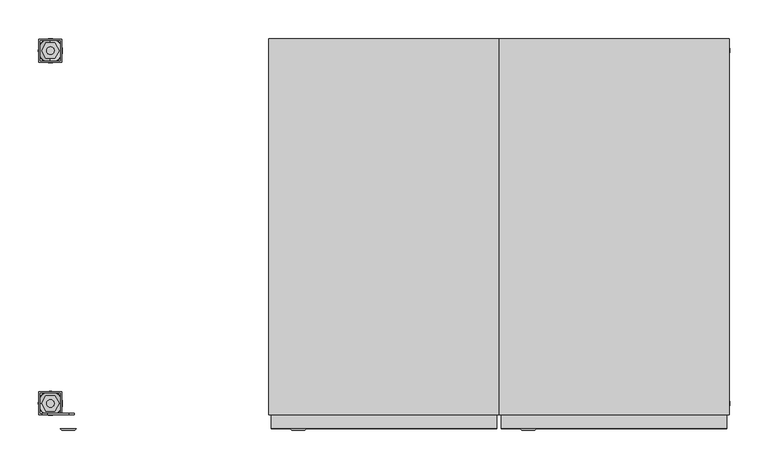
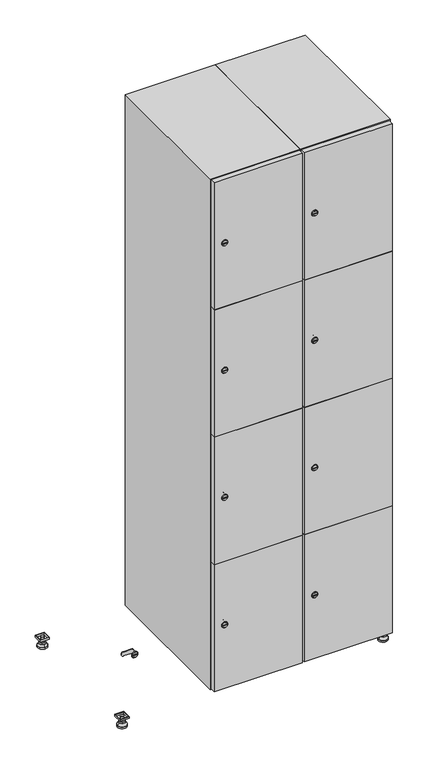
"""IFC4 building model written with IfcOpenShell, lengths in millimetres: furniture geometry."""

from ifc_helpers import new_model, si_unit, point, frame, frame_2d, origin, origin_with_axes, place, context, project, spatial, polyline, circle_curve, trimmed, segment, composite_curve, outline, extrude, faceted_brep, source, transform, mapped, element, save
from ifc_brep_helpers import plane_surface, revolved_surface, advanced_brep


def furniture_9e4fae3b(model_context):
    return source(origin(), model_context, "Body", "SolidModel", [
        extrude(outline(polyline([(700.0, 245.0), (700.0, 215.0), (670.0, 215.0), (670.0, 245.0), (700.0, 245.0)]), holes=[polyline([(698.0, 243.0), (672.0, 243.0), (672.0, 217.0), (698.0, 217.0), (698.0, 243.0)])]), frame((0.0, 0.0, 28.5), z_axis=(0.0, 0.0, 1.0), x_axis=(1.0, 0.0, 0.0)), (0.0, 0.0, 1.0), 6.5),
        extrude(outline(polyline([(670.0, -245.0), (670.0, -215.0), (700.0, -215.0), (700.0, -245.0), (670.0, -245.0)]), holes=[polyline([(672.0, -243.0), (698.0, -243.0), (698.0, -217.0), (672.0, -217.0), (672.0, -243.0)])]), frame((0.0, 0.0, 28.5), z_axis=(0.0, 0.0, 1.0), x_axis=(1.0, 0.0, 0.0)), (0.0, 0.0, 1.0), 6.5),
        extrude(outline(polyline([(-170.0, 245.0), (-170.0, 215.0), (-200.0, 215.0), (-200.0, 245.0), (-170.0, 245.0)]), holes=[polyline([(-172.0, 243.0), (-198.0, 243.0), (-198.0, 217.0), (-172.0, 217.0), (-172.0, 243.0)])]), frame((0.0, 0.0, 28.5), z_axis=(0.0, 0.0, 1.0), x_axis=(1.0, 0.0, 0.0)), (0.0, 0.0, 1.0), 6.5),
        extrude(outline(polyline([(-170.0, -215.0), (-170.0, -245.0), (-200.0, -245.0), (-200.0, -215.0), (-170.0, -215.0)]), holes=[polyline([(-198.0, -243.0), (-172.0, -243.0), (-172.0, -217.0), (-198.0, -217.0), (-198.0, -243.0)])]), frame((0.0, 0.0, 28.5), z_axis=(0.0, 0.0, 1.0), x_axis=(1.0, 0.0, 0.0)), (0.0, 0.0, 1.0), 6.5),
        extrude(outline(composite_curve([segment(trimmed(circle_curve(frame_2d((-185.0, 230.0)), 5.0), [point((-180.0, 230.0))], [point((-190.0, 230.0))], False, "CARTESIAN"), True, "CONTINUOUS"), segment(trimmed(circle_curve(frame_2d((-185.0, 230.0)), 5.0), [point((-190.0, 230.0))], [point((-180.0, 230.0))], False, "CARTESIAN"), True, "CONTINUOUS")], self_intersect=False)), frame((0.0, 0.0, 19.6), z_axis=(0.0, 0.0, 1.0), x_axis=(1.0, 0.0, 0.0)), (0.0, 0.0, 1.0), 15.4),
        extrude(outline(composite_curve([segment(trimmed(circle_curve(frame_2d((-185.0, -230.0)), 5.0), [point((-180.0, -230.0))], [point((-190.0, -230.0))], False, "CARTESIAN"), True, "CONTINUOUS"), segment(trimmed(circle_curve(frame_2d((-185.0, -230.0)), 5.0), [point((-190.0, -230.0))], [point((-180.0, -230.0))], False, "CARTESIAN"), True, "CONTINUOUS")], self_intersect=False)), frame((0.0, 0.0, 19.6), z_axis=(0.0, 0.0, 1.0), x_axis=(1.0, 0.0, 0.0)), (0.0, 0.0, 1.0), 15.4),
        extrude(outline(composite_curve([segment(trimmed(circle_curve(frame_2d((685.0, 230.0)), 5.0), [point((690.0, 230.0))], [point((680.0, 230.0))], False, "CARTESIAN"), True, "CONTINUOUS"), segment(trimmed(circle_curve(frame_2d((685.0, 230.0)), 5.0), [point((680.0, 230.0))], [point((690.0, 230.0))], False, "CARTESIAN"), True, "CONTINUOUS")], self_intersect=False)), frame((0.0, 0.0, 19.6), z_axis=(0.0, 0.0, 1.0), x_axis=(1.0, 0.0, 0.0)), (0.0, 0.0, 1.0), 15.4),
        extrude(outline(polyline([(673.4529946, 230.0), (679.2264973, 240.0), (690.7735027, 240.0), (696.5470054, 230.0), (690.7735027, 220.0), (679.2264973, 220.0), (673.4529946, 230.0)])), frame((0.0, 0.0, 13.6), z_axis=(0.0, 0.0, 1.0), x_axis=(1.0, 0.0, 0.0)), (0.0, 0.0, 1.0), 6.0),
        extrude(outline(composite_curve([segment(trimmed(circle_curve(frame_2d((685.0, -230.0)), 5.0), [point((690.0, -230.0))], [point((680.0, -230.0))], False, "CARTESIAN"), True, "CONTINUOUS"), segment(trimmed(circle_curve(frame_2d((685.0, -230.0)), 5.0), [point((680.0, -230.0))], [point((690.0, -230.0))], False, "CARTESIAN"), True, "CONTINUOUS")], self_intersect=False)), frame((0.0, 0.0, 19.6), z_axis=(0.0, 0.0, 1.0), x_axis=(1.0, 0.0, 0.0)), (0.0, 0.0, 1.0), 15.4),
        extrude(outline(polyline([(673.4529946, -230.0), (679.2264973, -220.0), (690.7735027, -220.0), (696.5470054, -230.0), (690.7735027, -240.0), (679.2264973, -240.0), (673.4529946, -230.0)])), frame((0.0, 0.0, 13.6), z_axis=(0.0, 0.0, 1.0), x_axis=(1.0, 0.0, 0.0)), (0.0, 0.0, 1.0), 6.0),
        extrude(outline(composite_curve([segment(trimmed(circle_curve(frame_2d((685.0, 230.0)), 5.0), [point((690.0, 230.0))], [point((680.0, 230.0))], False, "CARTESIAN"), True, "CONTINUOUS"), segment(trimmed(circle_curve(frame_2d((685.0, 230.0)), 5.0), [point((680.0, 230.0))], [point((690.0, 230.0))], False, "CARTESIAN"), True, "CONTINUOUS")], self_intersect=False)), frame((0.0, 0.0, 12.1), z_axis=(0.0, 0.0, 1.0), x_axis=(1.0, 0.0, 0.0)), (0.0, 0.0, 1.0), 1.5),
        extrude(outline(composite_curve([segment(trimmed(circle_curve(frame_2d((685.0, -230.0)), 5.0), [point((690.0, -230.0))], [point((680.0, -230.0))], False, "CARTESIAN"), True, "CONTINUOUS"), segment(trimmed(circle_curve(frame_2d((685.0, -230.0)), 5.0), [point((680.0, -230.0))], [point((690.0, -230.0))], False, "CARTESIAN"), True, "CONTINUOUS")], self_intersect=False)), frame((0.0, 0.0, 12.1), z_axis=(0.0, 0.0, 1.0), x_axis=(1.0, 0.0, 0.0)), (0.0, 0.0, 1.0), 1.5),
        extrude(outline(polyline([(-196.5470054, 230.0), (-190.7735027, 240.0), (-179.2264973, 240.0), (-173.4529946, 230.0), (-179.2264973, 220.0), (-190.7735027, 220.0), (-196.5470054, 230.0)])), frame((0.0, 0.0, 13.6), z_axis=(0.0, 0.0, 1.0), x_axis=(1.0, 0.0, 0.0)), (0.0, 0.0, 1.0), 6.0),
        extrude(outline(polyline([(-196.5470054, -230.0), (-190.7735027, -220.0), (-179.2264973, -220.0), (-173.4529946, -230.0), (-179.2264973, -240.0), (-190.7735027, -240.0), (-196.5470054, -230.0)])), frame((0.0, 0.0, 13.6), z_axis=(0.0, 0.0, 1.0), x_axis=(1.0, 0.0, 0.0)), (0.0, 0.0, 1.0), 6.0),
        extrude(outline(composite_curve([segment(trimmed(circle_curve(frame_2d((-185.0, 230.0)), 5.0), [point((-185.0, 235.0))], [point((-185.0, 225.0))], False, "CARTESIAN"), True, "CONTINUOUS"), segment(trimmed(circle_curve(frame_2d((-185.0, 230.0)), 5.0), [point((-185.0, 225.0))], [point((-185.0, 235.0))], False, "CARTESIAN"), True, "CONTINUOUS")], self_intersect=False)), frame((0.0, 0.0, 12.1), z_axis=(0.0, 0.0, 1.0), x_axis=(1.0, 0.0, 0.0)), (0.0, 0.0, 1.0), 1.5),
        extrude(outline(composite_curve([segment(trimmed(circle_curve(frame_2d((-185.0, -230.0)), 5.0), [point((-180.0, -230.0))], [point((-190.0, -230.0))], False, "CARTESIAN"), True, "CONTINUOUS"), segment(trimmed(circle_curve(frame_2d((-185.0, -230.0)), 5.0), [point((-190.0, -230.0))], [point((-180.0, -230.0))], False, "CARTESIAN"), True, "CONTINUOUS")], self_intersect=False)), frame((0.0, 0.0, 12.1), z_axis=(0.0, 0.0, 1.0), x_axis=(1.0, 0.0, 0.0)), (0.0, 0.0, 1.0), 1.5),
        extrude(outline(composite_curve([segment(trimmed(circle_curve(frame_2d((685.0, 230.0)), 15.75), [point((700.75, 230.0))], [point((669.25, 230.0))], False, "CARTESIAN"), True, "CONTINUOUS"), segment(trimmed(circle_curve(frame_2d((685.0, 230.0)), 15.75), [point((669.25, 230.0))], [point((700.75, 230.0))], False, "CARTESIAN"), True, "CONTINUOUS")], self_intersect=False)), origin_with_axes(), (0.0, 0.0, 1.0), 5.1),
        extrude(outline(composite_curve([segment(trimmed(circle_curve(frame_2d((685.0, -230.0)), 15.75), [point((685.0, -214.25))], [point((685.0, -245.75))], False, "CARTESIAN"), True, "CONTINUOUS"), segment(trimmed(circle_curve(frame_2d((685.0, -230.0)), 15.75), [point((685.0, -245.75))], [point((685.0, -214.25))], False, "CARTESIAN"), True, "CONTINUOUS")], self_intersect=False)), origin_with_axes(), (0.0, 0.0, 1.0), 5.1),
        extrude(outline(composite_curve([segment(trimmed(circle_curve(frame_2d((-185.0, -230.0)), 15.75), [point((-169.25, -230.0))], [point((-200.75, -230.0))], False, "CARTESIAN"), True, "CONTINUOUS"), segment(trimmed(circle_curve(frame_2d((-185.0, -230.0)), 15.75), [point((-200.75, -230.0))], [point((-169.25, -230.0))], False, "CARTESIAN"), True, "CONTINUOUS")], self_intersect=False)), origin_with_axes(), (0.0, 0.0, 1.0), 5.1),
        extrude(outline(composite_curve([segment(trimmed(circle_curve(frame_2d((-185.0, 230.0)), 15.75), [point((-169.25, 230.0))], [point((-200.75, 230.0))], False, "CARTESIAN"), True, "CONTINUOUS"), segment(trimmed(circle_curve(frame_2d((-185.0, 230.0)), 15.75), [point((-200.75, 230.0))], [point((-169.25, 230.0))], False, "CARTESIAN"), True, "CONTINUOUS")], self_intersect=False)), origin_with_axes(), (0.0, 0.0, 1.0), 5.1),
        advanced_brep(
        [(-185.0, 239.5, 12.1), (-185.0, 220.5, 12.1), (-185.0, 214.25, 5.1), (-185.0, 245.75, 5.1)],
        [
            (0, 1, circle_curve(frame((-185.0, 230.0, 12.1), z_axis=(0.0, 0.0, -1.0), x_axis=(0.0, 1.0, 0.0)), 9.5)),
            (1, 2),
            (2, 3, circle_curve(frame((-185.0, 230.0, 5.1), z_axis=(0.0, 0.0, 1.0), x_axis=(0.0, 1.0, 0.0)), 15.75)),
            (3, 0),
            (1, 0, circle_curve(frame((-185.0, 230.0, 12.1), z_axis=(0.0, 0.0, -1.0), x_axis=(0.0, -1.0, 0.0)), 9.5)),
            (3, 2, circle_curve(frame((-185.0, 230.0, 5.1), z_axis=(0.0, 0.0, 1.0), x_axis=(0.0, -1.0, 0.0)), 15.75)),
        ],
        [
            revolved_surface(polyline([(-185.0, 220.5, 12.099999999999998), (-185.0, 214.25, 5.099999999999998)]), (-185.0, 230.0, 22.74), (0.0, 0.0, -1.0)),
            revolved_surface(polyline([(-185.0, 239.5, 12.099999999999998), (-185.0, 245.75, 5.099999999999998)]), (-185.0, 230.0, 22.74), (0.0, 0.0, -1.0)),
            plane_surface(frame((-185.0, 230.0, 5.1), z_axis=(0.0, 0.0, -1.0), x_axis=(1.0, 0.0, 0.0))),
            plane_surface(frame((-185.0, 230.0, 12.1), z_axis=(0.0, 0.0, 1.0), x_axis=(1.0, 0.0, 0.0))),
        ],
        [
            (0, [[1, 2, 3, 4]]),
            (1, [[5, -4, 6, -2]]),
            (2, [[-3, -6]]),
            (3, [[-5, -1]]),
        ],
    ),
        advanced_brep(
        [(685.0, 239.5, 12.1), (685.0, 220.5, 12.1), (685.0, 214.25, 5.1), (685.0, 245.75, 5.1)],
        [
            (0, 1, circle_curve(frame((685.0, 230.0, 12.1), z_axis=(0.0, 0.0, -1.0), x_axis=(0.0, 1.0, 0.0)), 9.5)),
            (1, 2),
            (2, 3, circle_curve(frame((685.0, 230.0, 5.1), z_axis=(0.0, 0.0, 1.0), x_axis=(0.0, 1.0, 0.0)), 15.75)),
            (3, 0),
            (1, 0, circle_curve(frame((685.0, 230.0, 12.1), z_axis=(0.0, 0.0, -1.0), x_axis=(0.0, -1.0, 0.0)), 9.5)),
            (3, 2, circle_curve(frame((685.0, 230.0, 5.1), z_axis=(0.0, 0.0, 1.0), x_axis=(0.0, -1.0, 0.0)), 15.75)),
        ],
        [
            revolved_surface(polyline([(685.0, 220.5, 12.099999999999998), (685.0, 214.25, 5.099999999999998)]), (685.0, 230.0, 22.74), (0.0, 0.0, -1.0)),
            revolved_surface(polyline([(685.0, 239.5, 12.099999999999998), (685.0, 245.75, 5.099999999999998)]), (685.0, 230.0, 22.74), (0.0, 0.0, -1.0)),
            plane_surface(frame((685.0, 230.0, 5.1), z_axis=(0.0, 0.0, -1.0), x_axis=(1.0, 0.0, 0.0))),
            plane_surface(frame((685.0, 230.0, 12.1), z_axis=(0.0, 0.0, 1.0), x_axis=(1.0, 0.0, 0.0))),
        ],
        [
            (0, [[1, 2, 3, 4]]),
            (1, [[5, -4, 6, -2]]),
            (2, [[-3, -6]]),
            (3, [[-5, -1]]),
        ],
    ),
        advanced_brep(
        [(700.75, -230.0, 5.1), (669.25, -230.0, 5.1), (675.5, -230.0, 12.1), (694.5, -230.0, 12.1)],
        [
            (0, 1, circle_curve(frame((685.0, -230.0, 5.1), z_axis=(0.0, 0.0, 1.0), x_axis=(1.0, 0.0, 0.0)), 15.75)),
            (1, 2),
            (2, 3, circle_curve(frame((685.0, -230.0, 12.1), z_axis=(0.0, 0.0, -1.0), x_axis=(1.0, 0.0, 0.0)), 9.5)),
            (3, 0),
            (1, 0, circle_curve(frame((685.0, -230.0, 5.1), z_axis=(0.0, 0.0, 1.0), x_axis=(-1.0, 0.0, 0.0)), 15.75)),
            (3, 2, circle_curve(frame((685.0, -230.0, 12.1), z_axis=(0.0, 0.0, -1.0), x_axis=(-1.0, 0.0, 0.0)), 9.5)),
        ],
        [
            revolved_surface(polyline([(694.5, -230.0, 12.099999999999998), (700.75, -230.0, 5.099999999999998)]), (685.0, -230.0, 22.74), (0.0, 0.0, -1.0)),
            revolved_surface(polyline([(675.5, -230.0, 12.099999999999998), (669.25, -230.0, 5.099999999999998)]), (685.0, -230.0, 22.74), (0.0, 0.0, -1.0)),
            plane_surface(frame((685.0, -230.0, 12.1), z_axis=(0.0, 0.0, 1.0), x_axis=(0.0, 1.0, 0.0))),
            plane_surface(frame((685.0, -230.0, 5.1), z_axis=(0.0, 0.0, -1.0), x_axis=(0.0, 1.0, 0.0))),
        ],
        [
            (0, [[1, 2, 3, 4]]),
            (1, [[5, -4, 6, -2]]),
            (2, [[-3, -6]]),
            (3, [[-5, -1]]),
        ],
    ),
        advanced_brep(
        [(-169.25, -230.0, 5.1), (-200.75, -230.0, 5.1), (-194.5, -230.0, 12.1), (-175.5, -230.0, 12.1)],
        [
            (0, 1, circle_curve(frame((-185.0, -230.0, 5.1), z_axis=(0.0, 0.0, 1.0), x_axis=(1.0, 0.0, 0.0)), 15.75)),
            (1, 2),
            (2, 3, circle_curve(frame((-185.0, -230.0, 12.1), z_axis=(0.0, 0.0, -1.0), x_axis=(1.0, 0.0, 0.0)), 9.5)),
            (3, 0),
            (1, 0, circle_curve(frame((-185.0, -230.0, 5.1), z_axis=(0.0, 0.0, 1.0), x_axis=(-1.0, 0.0, 0.0)), 15.75)),
            (3, 2, circle_curve(frame((-185.0, -230.0, 12.1), z_axis=(0.0, 0.0, -1.0), x_axis=(-1.0, 0.0, 0.0)), 9.5)),
        ],
        [
            revolved_surface(polyline([(-175.5, -230.0, 12.099999999999998), (-169.25, -230.0, 5.099999999999998)]), (-185.0, -230.0, 22.74), (0.0, 0.0, -1.0)),
            revolved_surface(polyline([(-194.5, -230.0, 12.099999999999998), (-200.75, -230.0, 5.099999999999998)]), (-185.0, -230.0, 22.74), (0.0, 0.0, -1.0)),
            plane_surface(frame((-185.0, -230.0, 12.1), z_axis=(0.0, 0.0, 1.0), x_axis=(0.0, 1.0, 0.0))),
            plane_surface(frame((-185.0, -230.0, 5.1), z_axis=(0.0, 0.0, -1.0), x_axis=(0.0, 1.0, 0.0))),
        ],
        [
            (0, [[1, 2, 3, 4]]),
            (1, [[5, -4, 6, -2]]),
            (2, [[-3, -6]]),
            (3, [[-5, -1]]),
        ],
    ),
        extrude(outline(composite_curve([segment(trimmed(circle_curve(frame_2d((262.25, 411.2010534)), 7.0), [point((269.25, 411.2010534))], [point((255.25, 411.2010534))], False, "CARTESIAN"), True, "CONTINUOUS"), segment(polyline([(255.25, 411.2010534), (255.25, 439.2010534)]), True, "CONTINUOUS"), segment(trimmed(circle_curve(frame_2d((262.25, 439.2010534)), 7.0), [point((255.25, 439.2010534))], [point((269.25, 439.2010534))], False, "CARTESIAN"), True, "CONTINUOUS"), segment(polyline([(269.25, 439.2010534), (269.25, 411.2010534)]), True, "CONTINUOUS")], self_intersect=False)), frame((0.0, -245.0, 0.0), z_axis=(0.0, 1.0, 0.0), x_axis=(0.0, 0.0, 1.0)), (0.0, 0.0, 1.0), 2.0),
        advanced_brep(
        [(446.5, -265.2, 262.25), (429.5, -265.2, 262.25), (433.0, -265.2, 261.0), (433.0, -265.2, 263.5), (443.0, -265.2, 263.5), (443.0, -265.2, 261.0), (448.5, -263.0, 262.25), (427.5, -263.0, 262.25), (433.0, -263.0, 263.5), (433.0, -263.0, 261.0), (443.0, -263.0, 261.0), (443.0, -263.0, 263.5)],
        [
            (0, 1, circle_curve(frame((438.0, -265.2, 262.25), z_axis=(0.0, -1.0, 0.0), x_axis=(1.0, 0.0, 0.0)), 8.5)),
            (1, 0, circle_curve(frame((438.0, -265.2, 262.25), z_axis=(0.0, -1.0, 0.0), x_axis=(-1.0, 0.0, 0.0)), 8.5)),
            (2, 3),
            (3, 4),
            (4, 5),
            (5, 2),
            (6, 7, circle_curve(frame((438.0, -263.0, 262.25), z_axis=(0.0, 1.0, 0.0), x_axis=(-1.0, 0.0, 0.0)), 10.5)),
            (7, 6, circle_curve(frame((438.0, -263.0, 262.25), z_axis=(0.0, 1.0, 0.0), x_axis=(1.0, 0.0, 0.0)), 10.5)),
            (8, 9),
            (9, 10),
            (10, 11),
            (11, 8),
            (0, 6),
            (7, 1),
            (8, 3),
            (2, 9),
            (11, 4),
            (10, 5),
        ],
        [
            plane_surface(frame((438.0, -265.2, 262.25), z_axis=(0.0, -1.0, 0.0), x_axis=(0.0, 0.0, 1.0))),
            plane_surface(frame((438.0, -263.0, 262.25), z_axis=(0.0, 1.0, 0.0), x_axis=(0.0, 0.0, 1.0))),
            revolved_surface(polyline([(446.5, -265.2, 262.25), (448.5, -263.0, 262.25)]), (438.0, -274.55, 262.25), (0.0, 1.0, 0.0)),
            revolved_surface(polyline([(429.5, -265.2, 262.25), (427.5, -263.0, 262.25)]), (438.0, -274.55, 262.25), (0.0, 1.0, 0.0)),
            plane_surface(frame((433.0, -263.0, 261.0), z_axis=(1.0, 0.0, 0.0), x_axis=(0.0, -1.0, 0.0))),
            plane_surface(frame((433.0, -263.0, 263.5), z_axis=(0.0, 0.0, -1.0), x_axis=(0.0, -1.0, 0.0))),
            plane_surface(frame((443.0, -263.0, 263.5), z_axis=(-1.0, 0.0, 0.0), x_axis=(0.0, -1.0, 0.0))),
            plane_surface(frame((443.0, -263.0, 261.0), z_axis=(0.0, 0.0, 1.0), x_axis=(0.0, -1.0, 0.0))),
        ],
        [
            (0, [[1, 2], [3, 4, 5, 6]]),
            (1, [[7, 8], [9, 10, 11, 12]]),
            (2, [[-1, 13, -8, 14]]),
            (3, [[-2, -14, -7, -13]]),
            (4, [[15, -3, 16, -9]]),
            (5, [[-15, -12, 17, -4]]),
            (6, [[-17, -11, 18, -5]]),
            (7, [[-16, -6, -18, -10]]),
        ],
    ),
        extrude(outline(composite_curve([segment(trimmed(circle_curve(frame_2d((710.75, 411.2010534)), 7.0), [point((717.75, 411.2010534))], [point((703.75, 411.2010534))], False, "CARTESIAN"), True, "CONTINUOUS"), segment(polyline([(703.75, 411.2010534), (703.75, 439.2010534)]), True, "CONTINUOUS"), segment(trimmed(circle_curve(frame_2d((710.75, 439.2010534)), 7.0), [point((703.75, 439.2010534))], [point((717.75, 439.2010534))], False, "CARTESIAN"), True, "CONTINUOUS"), segment(polyline([(717.75, 439.2010534), (717.75, 411.2010534)]), True, "CONTINUOUS")], self_intersect=False)), frame((0.0, -245.0, 0.0), z_axis=(0.0, 1.0, 0.0), x_axis=(0.0, 0.0, 1.0)), (0.0, 0.0, 1.0), 2.0),
        advanced_brep(
        [(446.5, -265.2, 710.75), (429.5, -265.2, 710.75), (433.0, -265.2, 709.5), (433.0, -265.2, 712.0), (443.0, -265.2, 712.0), (443.0, -265.2, 709.5), (448.5, -263.0, 710.75), (427.5, -263.0, 710.75), (433.0, -263.0, 712.0), (433.0, -263.0, 709.5), (443.0, -263.0, 709.5), (443.0, -263.0, 712.0)],
        [
            (0, 1, circle_curve(frame((438.0, -265.2, 710.75), z_axis=(0.0, -1.0, 0.0), x_axis=(1.0, 0.0, 0.0)), 8.5)),
            (1, 0, circle_curve(frame((438.0, -265.2, 710.75), z_axis=(0.0, -1.0, 0.0), x_axis=(-1.0, 0.0, 0.0)), 8.5)),
            (2, 3),
            (3, 4),
            (4, 5),
            (5, 2),
            (6, 7, circle_curve(frame((438.0, -263.0, 710.75), z_axis=(0.0, 1.0, 0.0), x_axis=(-1.0, 0.0, 0.0)), 10.5)),
            (7, 6, circle_curve(frame((438.0, -263.0, 710.75), z_axis=(0.0, 1.0, 0.0), x_axis=(1.0, 0.0, 0.0)), 10.5)),
            (8, 9),
            (9, 10),
            (10, 11),
            (11, 8),
            (0, 6),
            (7, 1),
            (8, 3),
            (2, 9),
            (11, 4),
            (10, 5),
        ],
        [
            plane_surface(frame((438.0, -265.2, 710.75), z_axis=(0.0, -1.0, 0.0), x_axis=(0.0, 0.0, 1.0))),
            plane_surface(frame((438.0, -263.0, 710.75), z_axis=(0.0, 1.0, 0.0), x_axis=(0.0, 0.0, 1.0))),
            revolved_surface(polyline([(446.5, -265.2, 710.75), (448.5, -263.0, 710.75)]), (438.0, -274.55, 710.75), (0.0, 1.0, 0.0)),
            revolved_surface(polyline([(429.5, -265.2, 710.75), (427.5, -263.0, 710.75)]), (438.0, -274.55, 710.75), (0.0, 1.0, 0.0)),
            plane_surface(frame((433.0, -263.0, 709.5), z_axis=(1.0, 0.0, 0.0), x_axis=(0.0, -1.0, 0.0))),
            plane_surface(frame((433.0, -263.0, 712.0), z_axis=(0.0, 0.0, -1.0), x_axis=(0.0, -1.0, 0.0))),
            plane_surface(frame((443.0, -263.0, 712.0), z_axis=(-1.0, 0.0, 0.0), x_axis=(0.0, -1.0, 0.0))),
            plane_surface(frame((443.0, -263.0, 709.5), z_axis=(0.0, 0.0, 1.0), x_axis=(0.0, -1.0, 0.0))),
        ],
        [
            (0, [[1, 2], [3, 4, 5, 6]]),
            (1, [[7, 8], [9, 10, 11, 12]]),
            (2, [[-1, 13, -8, 14]]),
            (3, [[-2, -14, -7, -13]]),
            (4, [[15, -3, 16, -9]]),
            (5, [[-15, -12, 17, -4]]),
            (6, [[-17, -11, 18, -5]]),
            (7, [[-16, -6, -18, -10]]),
        ],
    ),
        extrude(outline(composite_curve([segment(trimmed(circle_curve(frame_2d((1159.25, 411.2010534)), 7.0), [point((1166.25, 411.2010534))], [point((1152.25, 411.2010534))], False, "CARTESIAN"), True, "CONTINUOUS"), segment(polyline([(1152.25, 411.2010534), (1152.25, 439.2010534)]), True, "CONTINUOUS"), segment(trimmed(circle_curve(frame_2d((1159.25, 439.2010534)), 7.0), [point((1152.25, 439.2010534))], [point((1166.25, 439.2010534))], False, "CARTESIAN"), True, "CONTINUOUS"), segment(polyline([(1166.25, 439.2010534), (1166.25, 411.2010534)]), True, "CONTINUOUS")], self_intersect=False)), frame((0.0, -245.0, 0.0), z_axis=(0.0, 1.0, 0.0), x_axis=(0.0, 0.0, 1.0)), (0.0, 0.0, 1.0), 2.0),
        advanced_brep(
        [(446.5, -265.2, 1159.25), (429.5, -265.2, 1159.25), (433.0, -265.2, 1158.0), (433.0, -265.2, 1160.5), (443.0, -265.2, 1160.5), (443.0, -265.2, 1158.0), (448.5, -263.0, 1159.25), (427.5, -263.0, 1159.25), (433.0, -263.0, 1160.5), (433.0, -263.0, 1158.0), (443.0, -263.0, 1158.0), (443.0, -263.0, 1160.5)],
        [
            (0, 1, circle_curve(frame((438.0, -265.2, 1159.25), z_axis=(0.0, -1.0, 0.0), x_axis=(1.0, 0.0, 0.0)), 8.5)),
            (1, 0, circle_curve(frame((438.0, -265.2, 1159.25), z_axis=(0.0, -1.0, 0.0), x_axis=(-1.0, 0.0, 0.0)), 8.5)),
            (2, 3),
            (3, 4),
            (4, 5),
            (5, 2),
            (6, 7, circle_curve(frame((438.0, -263.0, 1159.25), z_axis=(0.0, 1.0, 0.0), x_axis=(-1.0, 0.0, 0.0)), 10.5)),
            (7, 6, circle_curve(frame((438.0, -263.0, 1159.25), z_axis=(0.0, 1.0, 0.0), x_axis=(1.0, 0.0, 0.0)), 10.5)),
            (8, 9),
            (9, 10),
            (10, 11),
            (11, 8),
            (0, 6),
            (7, 1),
            (8, 3),
            (2, 9),
            (11, 4),
            (10, 5),
        ],
        [
            plane_surface(frame((438.0, -265.2, 1159.25), z_axis=(0.0, -1.0, 0.0), x_axis=(0.0, 0.0, 1.0))),
            plane_surface(frame((438.0, -263.0, 1159.25), z_axis=(0.0, 1.0, 0.0), x_axis=(0.0, 0.0, 1.0))),
            revolved_surface(polyline([(446.5, -265.2, 1159.25), (448.5, -263.0, 1159.25)]), (438.0, -274.55, 1159.25), (0.0, 1.0, 0.0)),
            revolved_surface(polyline([(429.5, -265.2, 1159.25), (427.5, -263.0, 1159.25)]), (438.0, -274.55, 1159.25), (0.0, 1.0, 0.0)),
            plane_surface(frame((433.0, -263.0, 1158.0), z_axis=(1.0, 0.0, 0.0), x_axis=(0.0, -1.0, 0.0))),
            plane_surface(frame((433.0, -263.0, 1160.5), z_axis=(0.0, 0.0, -1.0), x_axis=(0.0, -1.0, 0.0))),
            plane_surface(frame((443.0, -263.0, 1160.5), z_axis=(-1.0, 0.0, 0.0), x_axis=(0.0, -1.0, 0.0))),
            plane_surface(frame((443.0, -263.0, 1158.0), z_axis=(0.0, 0.0, 1.0), x_axis=(0.0, -1.0, 0.0))),
        ],
        [
            (0, [[1, 2], [3, 4, 5, 6]]),
            (1, [[7, 8], [9, 10, 11, 12]]),
            (2, [[-1, 13, -8, 14]]),
            (3, [[-2, -14, -7, -13]]),
            (4, [[15, -3, 16, -9]]),
            (5, [[-15, -12, 17, -4]]),
            (6, [[-17, -11, 18, -5]]),
            (7, [[-16, -6, -18, -10]]),
        ],
    ),
        extrude(outline(composite_curve([segment(trimmed(circle_curve(frame_2d((1607.75, 411.2010534)), 7.0), [point((1614.75, 411.2010534))], [point((1600.75, 411.2010534))], False, "CARTESIAN"), True, "CONTINUOUS"), segment(polyline([(1600.75, 411.2010534), (1600.75, 439.2010534)]), True, "CONTINUOUS"), segment(trimmed(circle_curve(frame_2d((1607.75, 439.2010534)), 7.0), [point((1600.75, 439.2010534))], [point((1614.75, 439.2010534))], False, "CARTESIAN"), True, "CONTINUOUS"), segment(polyline([(1614.75, 439.2010534), (1614.75, 411.2010534)]), True, "CONTINUOUS")], self_intersect=False)), frame((0.0, -245.0, 0.0), z_axis=(0.0, 1.0, 0.0), x_axis=(0.0, 0.0, 1.0)), (0.0, 0.0, 1.0), 2.0),
        advanced_brep(
        [(446.5, -265.2, 1607.75), (429.5, -265.2, 1607.75), (433.0, -265.2, 1606.5), (433.0, -265.2, 1609.0), (443.0, -265.2, 1609.0), (443.0, -265.2, 1606.5), (448.5, -263.0, 1607.75), (427.5, -263.0, 1607.75), (433.0, -263.0, 1609.0), (433.0, -263.0, 1606.5), (443.0, -263.0, 1606.5), (443.0, -263.0, 1609.0)],
        [
            (0, 1, circle_curve(frame((438.0, -265.2, 1607.75), z_axis=(0.0, -1.0, 0.0), x_axis=(1.0, 0.0, 0.0)), 8.5)),
            (1, 0, circle_curve(frame((438.0, -265.2, 1607.75), z_axis=(0.0, -1.0, 0.0), x_axis=(-1.0, 0.0, 0.0)), 8.5)),
            (2, 3),
            (3, 4),
            (4, 5),
            (5, 2),
            (6, 7, circle_curve(frame((438.0, -263.0, 1607.75), z_axis=(0.0, 1.0, 0.0), x_axis=(-1.0, 0.0, 0.0)), 10.5)),
            (7, 6, circle_curve(frame((438.0, -263.0, 1607.75), z_axis=(0.0, 1.0, 0.0), x_axis=(1.0, 0.0, 0.0)), 10.5)),
            (8, 9),
            (9, 10),
            (10, 11),
            (11, 8),
            (0, 6),
            (7, 1),
            (8, 3),
            (2, 9),
            (11, 4),
            (10, 5),
        ],
        [
            plane_surface(frame((438.0, -265.2, 1607.75), z_axis=(0.0, -1.0, 0.0), x_axis=(0.0, 0.0, 1.0))),
            plane_surface(frame((438.0, -263.0, 1607.75), z_axis=(0.0, 1.0, 0.0), x_axis=(0.0, 0.0, 1.0))),
            revolved_surface(polyline([(446.5, -265.2, 1607.75), (448.5, -263.0, 1607.75)]), (438.0, -274.55, 1607.75), (0.0, 1.0, 0.0)),
            revolved_surface(polyline([(429.5, -265.2, 1607.75), (427.5, -263.0, 1607.75)]), (438.0, -274.55, 1607.75), (0.0, 1.0, 0.0)),
            plane_surface(frame((433.0, -263.0, 1606.5), z_axis=(1.0, 0.0, 0.0), x_axis=(0.0, -1.0, 0.0))),
            plane_surface(frame((433.0, -263.0, 1609.0), z_axis=(0.0, 0.0, -1.0), x_axis=(0.0, -1.0, 0.0))),
            plane_surface(frame((443.0, -263.0, 1609.0), z_axis=(-1.0, 0.0, 0.0), x_axis=(0.0, -1.0, 0.0))),
            plane_surface(frame((443.0, -263.0, 1606.5), z_axis=(0.0, 0.0, 1.0), x_axis=(0.0, -1.0, 0.0))),
        ],
        [
            (0, [[1, 2], [3, 4, 5, 6]]),
            (1, [[7, 8], [9, 10, 11, 12]]),
            (2, [[-1, 13, -8, 14]]),
            (3, [[-2, -14, -7, -13]]),
            (4, [[15, -3, 16, -9]]),
            (5, [[-15, -12, 17, -4]]),
            (6, [[-17, -11, 18, -5]]),
            (7, [[-16, -6, -18, -10]]),
        ],
    ),
        extrude(outline(polyline([(697.0, -245.0), (697.0, -263.0), (403.0, -263.0), (403.0, -245.0), (697.0, -245.0)])), frame((0.0, 0.0, 486.0), z_axis=(0.0, 0.0, 1.0), x_axis=(1.0, 0.0, 0.0)), (0.0, 0.0, 1.0), 448.5),
        extrude(outline(polyline([(697.0, -245.0), (697.0, -263.0), (403.0, -263.0), (403.0, -245.0), (697.0, -245.0)])), frame((0.0, 0.0, 935.5), z_axis=(0.0, 0.0, 1.0), x_axis=(1.0, 0.0, 0.0)), (0.0, 0.0, 1.0), 447.5),
        extrude(outline(polyline([(403.0, -263.0), (403.0, -245.0), (697.0, -245.0), (697.0, -263.0), (403.0, -263.0)])), frame((0.0, 0.0, 1384.0), z_axis=(0.0, 0.0, 1.0), x_axis=(1.0, 0.0, 0.0)), (0.0, 0.0, 1.0), 448.0),
        extrude(outline(polyline([(697.0, -245.0), (697.0, -263.0), (403.0, -263.0), (403.0, -245.0), (697.0, -245.0)])), frame((0.0, 0.0, 38.0), z_axis=(0.0, 0.0, 1.0), x_axis=(1.0, 0.0, 0.0)), (0.0, 0.0, 1.0), 449.0),
        extrude(outline(polyline([(679.6, 242.0), (679.6, -227.0), (420.4, -227.0), (420.4, 242.0), (679.6, 242.0)])), frame((0.0, 0.0, 1359.7), z_axis=(0.0, 0.0, 1.0), x_axis=(1.0, 0.0, 0.0)), (0.0, 0.0, 1.0), 20.4),
        extrude(outline(polyline([(679.6, 242.0), (679.6, -227.0), (420.4, -227.0), (420.4, 242.0), (679.6, 242.0)])), frame((0.0, 0.0, 924.8), z_axis=(0.0, 0.0, 1.0), x_axis=(1.0, 0.0, 0.0)), (0.0, 0.0, 1.0), 20.4),
        extrude(outline(polyline([(679.6, 242.0), (679.6, -227.0), (420.4, -227.0), (420.4, 242.0), (679.6, 242.0)])), frame((0.0, 0.0, 489.9), z_axis=(0.0, 0.0, 1.0), x_axis=(1.0, 0.0, 0.0)), (0.0, 0.0, 1.0), 20.4),
        faceted_brep([(700.0, -245.0, 35.0), (700.0, -245.0, 1835.0), (400.0, -245.0, 1835.0), (400.0, -245.0, 35.0), (679.6, -245.0, 1804.8), (679.6, -245.0, 65.2), (420.4, -245.0, 65.2), (420.4, -245.0, 1804.8), (700.0, 245.0, 35.0), (400.0, 245.0, 35.0), (700.0, 245.0, 1835.0), (400.0, 245.0, 1835.0), (679.6, 242.0, 1804.8), (679.6, 242.0, 65.2), (400.0, 245.0, 1804.8), (420.4, 242.0, 1804.8), (420.4, 242.0, 65.2)], [[[0, 1, 2, 3], [4, 5, 6, 7]], [[8, 0, 3, 9]], [[1, 0, 8, 10]], [[1, 10, 11, 2]], [[4, 12, 13, 5]], [[9, 3, 2, 11, 14]], [[10, 8, 9, 14, 11]], [[12, 15, 16, 13]], [[15, 7, 6, 16]], [[4, 7, 15, 12]], [[6, 5, 13, 16]]]),
        extrude(outline(composite_curve([segment(trimmed(circle_curve(frame_2d((262.25, 111.2010534)), 7.0), [point((269.25, 111.2010534))], [point((255.25, 111.2010534))], False, "CARTESIAN"), True, "CONTINUOUS"), segment(polyline([(255.25, 111.2010534), (255.25, 139.2010534)]), True, "CONTINUOUS"), segment(trimmed(circle_curve(frame_2d((262.25, 139.2010534)), 7.0), [point((255.25, 139.2010534))], [point((269.25, 139.2010534))], False, "CARTESIAN"), True, "CONTINUOUS"), segment(polyline([(269.25, 139.2010534), (269.25, 111.2010534)]), True, "CONTINUOUS")], self_intersect=False)), frame((0.0, -245.0, 0.0), z_axis=(0.0, 1.0, 0.0), x_axis=(0.0, 0.0, 1.0)), (0.0, 0.0, 1.0), 2.0),
        advanced_brep(
        [(146.5, -265.2, 262.25), (129.5, -265.2, 262.25), (133.0, -265.2, 261.0), (133.0, -265.2, 263.5), (143.0, -265.2, 263.5), (143.0, -265.2, 261.0), (148.5, -263.0, 262.25), (127.5, -263.0, 262.25), (133.0, -263.0, 263.5), (133.0, -263.0, 261.0), (143.0, -263.0, 261.0), (143.0, -263.0, 263.5)],
        [
            (0, 1, circle_curve(frame((138.0, -265.2, 262.25), z_axis=(0.0, -1.0, 0.0), x_axis=(1.0, 0.0, 0.0)), 8.5)),
            (1, 0, circle_curve(frame((138.0, -265.2, 262.25), z_axis=(0.0, -1.0, 0.0), x_axis=(-1.0, 0.0, 0.0)), 8.5)),
            (2, 3),
            (3, 4),
            (4, 5),
            (5, 2),
            (6, 7, circle_curve(frame((138.0, -263.0, 262.25), z_axis=(0.0, 1.0, 0.0), x_axis=(-1.0, 0.0, 0.0)), 10.5)),
            (7, 6, circle_curve(frame((138.0, -263.0, 262.25), z_axis=(0.0, 1.0, 0.0), x_axis=(1.0, 0.0, 0.0)), 10.5)),
            (8, 9),
            (9, 10),
            (10, 11),
            (11, 8),
            (0, 6),
            (7, 1),
            (8, 3),
            (2, 9),
            (11, 4),
            (10, 5),
        ],
        [
            plane_surface(frame((138.0, -265.2, 262.25), z_axis=(0.0, -1.0, 0.0), x_axis=(0.0, 0.0, 1.0))),
            plane_surface(frame((138.0, -263.0, 262.25), z_axis=(0.0, 1.0, 0.0), x_axis=(0.0, 0.0, 1.0))),
            revolved_surface(polyline([(146.5, -265.2, 262.25), (148.5, -263.0, 262.25)]), (138.0, -274.55, 262.25), (0.0, 1.0, 0.0)),
            revolved_surface(polyline([(129.5, -265.2, 262.25), (127.5, -263.0, 262.25)]), (138.0, -274.55, 262.25), (0.0, 1.0, 0.0)),
            plane_surface(frame((133.0, -263.0, 261.0), z_axis=(1.0, 0.0, 0.0), x_axis=(0.0, -1.0, 0.0))),
            plane_surface(frame((133.0, -263.0, 263.5), z_axis=(0.0, 0.0, -1.0), x_axis=(0.0, -1.0, 0.0))),
            plane_surface(frame((143.0, -263.0, 263.5), z_axis=(-1.0, 0.0, 0.0), x_axis=(0.0, -1.0, 0.0))),
            plane_surface(frame((143.0, -263.0, 261.0), z_axis=(0.0, 0.0, 1.0), x_axis=(0.0, -1.0, 0.0))),
        ],
        [
            (0, [[1, 2], [3, 4, 5, 6]]),
            (1, [[7, 8], [9, 10, 11, 12]]),
            (2, [[-1, 13, -8, 14]]),
            (3, [[-2, -14, -7, -13]]),
            (4, [[15, -3, 16, -9]]),
            (5, [[-15, -12, 17, -4]]),
            (6, [[-17, -11, 18, -5]]),
            (7, [[-16, -6, -18, -10]]),
        ],
    ),
        extrude(outline(composite_curve([segment(trimmed(circle_curve(frame_2d((710.75, 111.2010534)), 7.0), [point((717.75, 111.2010534))], [point((703.75, 111.2010534))], False, "CARTESIAN"), True, "CONTINUOUS"), segment(polyline([(703.75, 111.2010534), (703.75, 139.2010534)]), True, "CONTINUOUS"), segment(trimmed(circle_curve(frame_2d((710.75, 139.2010534)), 7.0), [point((703.75, 139.2010534))], [point((717.75, 139.2010534))], False, "CARTESIAN"), True, "CONTINUOUS"), segment(polyline([(717.75, 139.2010534), (717.75, 111.2010534)]), True, "CONTINUOUS")], self_intersect=False)), frame((0.0, -245.0, 0.0), z_axis=(0.0, 1.0, 0.0), x_axis=(0.0, 0.0, 1.0)), (0.0, 0.0, 1.0), 2.0),
        advanced_brep(
        [(146.5, -265.2, 710.75), (129.5, -265.2, 710.75), (133.0, -265.2, 709.5), (133.0, -265.2, 712.0), (143.0, -265.2, 712.0), (143.0, -265.2, 709.5), (148.5, -263.0, 710.75), (127.5, -263.0, 710.75), (133.0, -263.0, 712.0), (133.0, -263.0, 709.5), (143.0, -263.0, 709.5), (143.0, -263.0, 712.0)],
        [
            (0, 1, circle_curve(frame((138.0, -265.2, 710.75), z_axis=(0.0, -1.0, 0.0), x_axis=(1.0, 0.0, 0.0)), 8.5)),
            (1, 0, circle_curve(frame((138.0, -265.2, 710.75), z_axis=(0.0, -1.0, 0.0), x_axis=(-1.0, 0.0, 0.0)), 8.5)),
            (2, 3),
            (3, 4),
            (4, 5),
            (5, 2),
            (6, 7, circle_curve(frame((138.0, -263.0, 710.75), z_axis=(0.0, 1.0, 0.0), x_axis=(-1.0, 0.0, 0.0)), 10.5)),
            (7, 6, circle_curve(frame((138.0, -263.0, 710.75), z_axis=(0.0, 1.0, 0.0), x_axis=(1.0, 0.0, 0.0)), 10.5)),
            (8, 9),
            (9, 10),
            (10, 11),
            (11, 8),
            (0, 6),
            (7, 1),
            (8, 3),
            (2, 9),
            (11, 4),
            (10, 5),
        ],
        [
            plane_surface(frame((138.0, -265.2, 710.75), z_axis=(0.0, -1.0, 0.0), x_axis=(0.0, 0.0, 1.0))),
            plane_surface(frame((138.0, -263.0, 710.75), z_axis=(0.0, 1.0, 0.0), x_axis=(0.0, 0.0, 1.0))),
            revolved_surface(polyline([(146.5, -265.2, 710.75), (148.5, -263.0, 710.75)]), (138.0, -274.55, 710.75), (0.0, 1.0, 0.0)),
            revolved_surface(polyline([(129.5, -265.2, 710.75), (127.5, -263.0, 710.75)]), (138.0, -274.55, 710.75), (0.0, 1.0, 0.0)),
            plane_surface(frame((133.0, -263.0, 709.5), z_axis=(1.0, 0.0, 0.0), x_axis=(0.0, -1.0, 0.0))),
            plane_surface(frame((133.0, -263.0, 712.0), z_axis=(0.0, 0.0, -1.0), x_axis=(0.0, -1.0, 0.0))),
            plane_surface(frame((143.0, -263.0, 712.0), z_axis=(-1.0, 0.0, 0.0), x_axis=(0.0, -1.0, 0.0))),
            plane_surface(frame((143.0, -263.0, 709.5), z_axis=(0.0, 0.0, 1.0), x_axis=(0.0, -1.0, 0.0))),
        ],
        [
            (0, [[1, 2], [3, 4, 5, 6]]),
            (1, [[7, 8], [9, 10, 11, 12]]),
            (2, [[-1, 13, -8, 14]]),
            (3, [[-2, -14, -7, -13]]),
            (4, [[15, -3, 16, -9]]),
            (5, [[-15, -12, 17, -4]]),
            (6, [[-17, -11, 18, -5]]),
            (7, [[-16, -6, -18, -10]]),
        ],
    ),
        extrude(outline(composite_curve([segment(trimmed(circle_curve(frame_2d((1159.25, 111.2010534)), 7.0), [point((1166.25, 111.2010534))], [point((1152.25, 111.2010534))], False, "CARTESIAN"), True, "CONTINUOUS"), segment(polyline([(1152.25, 111.2010534), (1152.25, 139.2010534)]), True, "CONTINUOUS"), segment(trimmed(circle_curve(frame_2d((1159.25, 139.2010534)), 7.0), [point((1152.25, 139.2010534))], [point((1166.25, 139.2010534))], False, "CARTESIAN"), True, "CONTINUOUS"), segment(polyline([(1166.25, 139.2010534), (1166.25, 111.2010534)]), True, "CONTINUOUS")], self_intersect=False)), frame((0.0, -245.0, 0.0), z_axis=(0.0, 1.0, 0.0), x_axis=(0.0, 0.0, 1.0)), (0.0, 0.0, 1.0), 2.0),
        advanced_brep(
        [(146.5, -265.2, 1159.25), (129.5, -265.2, 1159.25), (133.0, -265.2, 1158.0), (133.0, -265.2, 1160.5), (143.0, -265.2, 1160.5), (143.0, -265.2, 1158.0), (148.5, -263.0, 1159.25), (127.5, -263.0, 1159.25), (133.0, -263.0, 1160.5), (133.0, -263.0, 1158.0), (143.0, -263.0, 1158.0), (143.0, -263.0, 1160.5)],
        [
            (0, 1, circle_curve(frame((138.0, -265.2, 1159.25), z_axis=(0.0, -1.0, 0.0), x_axis=(1.0, 0.0, 0.0)), 8.5)),
            (1, 0, circle_curve(frame((138.0, -265.2, 1159.25), z_axis=(0.0, -1.0, 0.0), x_axis=(-1.0, 0.0, 0.0)), 8.5)),
            (2, 3),
            (3, 4),
            (4, 5),
            (5, 2),
            (6, 7, circle_curve(frame((138.0, -263.0, 1159.25), z_axis=(0.0, 1.0, 0.0), x_axis=(-1.0, 0.0, 0.0)), 10.5)),
            (7, 6, circle_curve(frame((138.0, -263.0, 1159.25), z_axis=(0.0, 1.0, 0.0), x_axis=(1.0, 0.0, 0.0)), 10.5)),
            (8, 9),
            (9, 10),
            (10, 11),
            (11, 8),
            (0, 6),
            (7, 1),
            (8, 3),
            (2, 9),
            (11, 4),
            (10, 5),
        ],
        [
            plane_surface(frame((138.0, -265.2, 1159.25), z_axis=(0.0, -1.0, 0.0), x_axis=(0.0, 0.0, 1.0))),
            plane_surface(frame((138.0, -263.0, 1159.25), z_axis=(0.0, 1.0, 0.0), x_axis=(0.0, 0.0, 1.0))),
            revolved_surface(polyline([(146.5, -265.2, 1159.25), (148.5, -263.0, 1159.25)]), (138.0, -274.55, 1159.25), (0.0, 1.0, 0.0)),
            revolved_surface(polyline([(129.5, -265.2, 1159.25), (127.5, -263.0, 1159.25)]), (138.0, -274.55, 1159.25), (0.0, 1.0, 0.0)),
            plane_surface(frame((133.0, -263.0, 1158.0), z_axis=(1.0, 0.0, 0.0), x_axis=(0.0, -1.0, 0.0))),
            plane_surface(frame((133.0, -263.0, 1160.5), z_axis=(0.0, 0.0, -1.0), x_axis=(0.0, -1.0, 0.0))),
            plane_surface(frame((143.0, -263.0, 1160.5), z_axis=(-1.0, 0.0, 0.0), x_axis=(0.0, -1.0, 0.0))),
            plane_surface(frame((143.0, -263.0, 1158.0), z_axis=(0.0, 0.0, 1.0), x_axis=(0.0, -1.0, 0.0))),
        ],
        [
            (0, [[1, 2], [3, 4, 5, 6]]),
            (1, [[7, 8], [9, 10, 11, 12]]),
            (2, [[-1, 13, -8, 14]]),
            (3, [[-2, -14, -7, -13]]),
            (4, [[15, -3, 16, -9]]),
            (5, [[-15, -12, 17, -4]]),
            (6, [[-17, -11, 18, -5]]),
            (7, [[-16, -6, -18, -10]]),
        ],
    ),
        extrude(outline(composite_curve([segment(trimmed(circle_curve(frame_2d((1607.75, 111.2010534)), 7.0), [point((1614.75, 111.2010534))], [point((1600.75, 111.2010534))], False, "CARTESIAN"), True, "CONTINUOUS"), segment(polyline([(1600.75, 111.2010534), (1600.75, 139.2010534)]), True, "CONTINUOUS"), segment(trimmed(circle_curve(frame_2d((1607.75, 139.2010534)), 7.0), [point((1600.75, 139.2010534))], [point((1614.75, 139.2010534))], False, "CARTESIAN"), True, "CONTINUOUS"), segment(polyline([(1614.75, 139.2010534), (1614.75, 111.2010534)]), True, "CONTINUOUS")], self_intersect=False)), frame((0.0, -245.0, 0.0), z_axis=(0.0, 1.0, 0.0), x_axis=(0.0, 0.0, 1.0)), (0.0, 0.0, 1.0), 2.0),
        advanced_brep(
        [(146.5, -265.2, 1607.75), (129.5, -265.2, 1607.75), (133.0, -265.2, 1606.5), (133.0, -265.2, 1609.0), (143.0, -265.2, 1609.0), (143.0, -265.2, 1606.5), (148.5, -263.0, 1607.75), (127.5, -263.0, 1607.75), (133.0, -263.0, 1609.0), (133.0, -263.0, 1606.5), (143.0, -263.0, 1606.5), (143.0, -263.0, 1609.0)],
        [
            (0, 1, circle_curve(frame((138.0, -265.2, 1607.75), z_axis=(0.0, -1.0, 0.0), x_axis=(1.0, 0.0, 0.0)), 8.5)),
            (1, 0, circle_curve(frame((138.0, -265.2, 1607.75), z_axis=(0.0, -1.0, 0.0), x_axis=(-1.0, 0.0, 0.0)), 8.5)),
            (2, 3),
            (3, 4),
            (4, 5),
            (5, 2),
            (6, 7, circle_curve(frame((138.0, -263.0, 1607.75), z_axis=(0.0, 1.0, 0.0), x_axis=(-1.0, 0.0, 0.0)), 10.5)),
            (7, 6, circle_curve(frame((138.0, -263.0, 1607.75), z_axis=(0.0, 1.0, 0.0), x_axis=(1.0, 0.0, 0.0)), 10.5)),
            (8, 9),
            (9, 10),
            (10, 11),
            (11, 8),
            (0, 6),
            (7, 1),
            (8, 3),
            (2, 9),
            (11, 4),
            (10, 5),
        ],
        [
            plane_surface(frame((138.0, -265.2, 1607.75), z_axis=(0.0, -1.0, 0.0), x_axis=(0.0, 0.0, 1.0))),
            plane_surface(frame((138.0, -263.0, 1607.75), z_axis=(0.0, 1.0, 0.0), x_axis=(0.0, 0.0, 1.0))),
            revolved_surface(polyline([(146.5, -265.2, 1607.75), (148.5, -263.0, 1607.75)]), (138.0, -274.55, 1607.75), (0.0, 1.0, 0.0)),
            revolved_surface(polyline([(129.5, -265.2, 1607.75), (127.5, -263.0, 1607.75)]), (138.0, -274.55, 1607.75), (0.0, 1.0, 0.0)),
            plane_surface(frame((133.0, -263.0, 1606.5), z_axis=(1.0, 0.0, 0.0), x_axis=(0.0, -1.0, 0.0))),
            plane_surface(frame((133.0, -263.0, 1609.0), z_axis=(0.0, 0.0, -1.0), x_axis=(0.0, -1.0, 0.0))),
            plane_surface(frame((143.0, -263.0, 1609.0), z_axis=(-1.0, 0.0, 0.0), x_axis=(0.0, -1.0, 0.0))),
            plane_surface(frame((143.0, -263.0, 1606.5), z_axis=(0.0, 0.0, 1.0), x_axis=(0.0, -1.0, 0.0))),
        ],
        [
            (0, [[1, 2], [3, 4, 5, 6]]),
            (1, [[7, 8], [9, 10, 11, 12]]),
            (2, [[-1, 13, -8, 14]]),
            (3, [[-2, -14, -7, -13]]),
            (4, [[15, -3, 16, -9]]),
            (5, [[-15, -12, 17, -4]]),
            (6, [[-17, -11, 18, -5]]),
            (7, [[-16, -6, -18, -10]]),
        ],
    ),
        extrude(outline(polyline([(397.0, -245.0), (397.0, -263.0), (103.0, -263.0), (103.0, -245.0), (397.0, -245.0)])), frame((0.0, 0.0, 486.0), z_axis=(0.0, 0.0, 1.0), x_axis=(1.0, 0.0, 0.0)), (0.0, 0.0, 1.0), 448.5),
        extrude(outline(polyline([(397.0, -245.0), (397.0, -263.0), (103.0, -263.0), (103.0, -245.0), (397.0, -245.0)])), frame((0.0, 0.0, 935.5), z_axis=(0.0, 0.0, 1.0), x_axis=(1.0, 0.0, 0.0)), (0.0, 0.0, 1.0), 447.5),
        extrude(outline(polyline([(103.0, -263.0), (103.0, -245.0), (397.0, -245.0), (397.0, -263.0), (103.0, -263.0)])), frame((0.0, 0.0, 1384.0), z_axis=(0.0, 0.0, 1.0), x_axis=(1.0, 0.0, 0.0)), (0.0, 0.0, 1.0), 448.0),
        extrude(outline(polyline([(397.0, -245.0), (397.0, -263.0), (103.0, -263.0), (103.0, -245.0), (397.0, -245.0)])), frame((0.0, 0.0, 38.0), z_axis=(0.0, 0.0, 1.0), x_axis=(1.0, 0.0, 0.0)), (0.0, 0.0, 1.0), 449.0),
        extrude(outline(polyline([(379.6, 242.0), (379.6, -227.0), (120.4, -227.0), (120.4, 242.0), (379.6, 242.0)])), frame((0.0, 0.0, 1359.7), z_axis=(0.0, 0.0, 1.0), x_axis=(1.0, 0.0, 0.0)), (0.0, 0.0, 1.0), 20.4),
        extrude(outline(polyline([(379.6, 242.0), (379.6, -227.0), (120.4, -227.0), (120.4, 242.0), (379.6, 242.0)])), frame((0.0, 0.0, 924.8), z_axis=(0.0, 0.0, 1.0), x_axis=(1.0, 0.0, 0.0)), (0.0, 0.0, 1.0), 20.4),
        extrude(outline(polyline([(379.6, 242.0), (379.6, -227.0), (120.4, -227.0), (120.4, 242.0), (379.6, 242.0)])), frame((0.0, 0.0, 489.9), z_axis=(0.0, 0.0, 1.0), x_axis=(1.0, 0.0, 0.0)), (0.0, 0.0, 1.0), 20.4),
        faceted_brep([(400.0, -245.0, 35.0), (400.0, -245.0, 1835.0), (100.0, -245.0, 1835.0), (100.0, -245.0, 35.0), (379.6, -245.0, 1804.8), (379.6, -245.0, 65.2), (120.4, -245.0, 65.2), (120.4, -245.0, 1804.8), (400.0, 245.0, 35.0), (100.0, 245.0, 35.0), (400.0, 245.0, 1835.0), (100.0, 245.0, 1835.0), (379.6, 242.0, 1804.8), (379.6, 242.0, 65.2), (100.0, 245.0, 1804.8), (120.4, 242.0, 1804.8), (120.4, 242.0, 65.2)], [[[0, 1, 2, 3], [4, 5, 6, 7]], [[8, 0, 3, 9]], [[1, 0, 8, 10]], [[1, 10, 11, 2]], [[4, 12, 13, 5]], [[9, 3, 2, 11, 14]], [[10, 8, 9, 14, 11]], [[12, 15, 16, 13]], [[15, 7, 6, 16]], [[4, 7, 15, 12]], [[6, 5, 13, 16]]]),
        extrude(outline(composite_curve([segment(trimmed(circle_curve(frame_2d((262.25, -188.7989466)), 7.0), [point((269.25, -188.7989466))], [point((255.25, -188.7989466))], False, "CARTESIAN"), True, "CONTINUOUS"), segment(polyline([(255.25, -188.7989466), (255.25, -160.7989466)]), True, "CONTINUOUS"), segment(trimmed(circle_curve(frame_2d((262.25, -160.7989466)), 7.0), [point((255.25, -160.7989466))], [point((269.25, -160.7989466))], False, "CARTESIAN"), True, "CONTINUOUS"), segment(polyline([(269.25, -160.7989466), (269.25, -188.7989466)]), True, "CONTINUOUS")], self_intersect=False)), frame((0.0, -245.0, 0.0), z_axis=(0.0, 1.0, 0.0), x_axis=(0.0, 0.0, 1.0)), (0.0, 0.0, 1.0), 2.0),
        advanced_brep(
        [(-153.5, -265.2, 262.25), (-170.5, -265.2, 262.25), (-167.0, -265.2, 261.0), (-167.0, -265.2, 263.5), (-157.0, -265.2, 263.5), (-157.0, -265.2, 261.0), (-151.5, -263.0, 262.25), (-172.5, -263.0, 262.25), (-167.0, -263.0, 263.5), (-167.0, -263.0, 261.0), (-157.0, -263.0, 261.0), (-157.0, -263.0, 263.5)],
        [
            (0, 1, circle_curve(frame((-162.0, -265.2, 262.25), z_axis=(0.0, -1.0, 0.0), x_axis=(1.0, 0.0, 0.0)), 8.5)),
            (1, 0, circle_curve(frame((-162.0, -265.2, 262.25), z_axis=(0.0, -1.0, 0.0), x_axis=(-1.0, 0.0, 0.0)), 8.5)),
            (2, 3),
            (3, 4),
            (4, 5),
            (5, 2),
            (6, 7, circle_curve(frame((-162.0, -263.0, 262.25), z_axis=(0.0, 1.0, 0.0), x_axis=(-1.0, 0.0, 0.0)), 10.5)),
            (7, 6, circle_curve(frame((-162.0, -263.0, 262.25), z_axis=(0.0, 1.0, 0.0), x_axis=(1.0, 0.0, 0.0)), 10.5)),
            (8, 9),
            (9, 10),
            (10, 11),
            (11, 8),
            (0, 6),
            (7, 1),
            (8, 3),
            (2, 9),
            (11, 4),
            (10, 5),
        ],
        [
            plane_surface(frame((-162.0, -265.2, 262.25), z_axis=(0.0, -1.0, 0.0), x_axis=(0.0, 0.0, 1.0))),
            plane_surface(frame((-162.0, -263.0, 262.25), z_axis=(0.0, 1.0, 0.0), x_axis=(0.0, 0.0, 1.0))),
            revolved_surface(polyline([(-153.5, -265.2, 262.25), (-151.5, -263.0, 262.25)]), (-162.0, -274.55, 262.25), (0.0, 1.0, 0.0)),
            revolved_surface(polyline([(-170.5, -265.2, 262.25), (-172.5, -263.0, 262.25)]), (-162.0, -274.55, 262.25), (0.0, 1.0, 0.0)),
            plane_surface(frame((-167.0, -263.0, 261.0), z_axis=(1.0, 0.0, 0.0), x_axis=(0.0, -1.0, 0.0))),
            plane_surface(frame((-167.0, -263.0, 263.5), z_axis=(0.0, 0.0, -1.0), x_axis=(0.0, -1.0, 0.0))),
            plane_surface(frame((-157.0, -263.0, 263.5), z_axis=(-1.0, 0.0, 0.0), x_axis=(0.0, -1.0, 0.0))),
            plane_surface(frame((-157.0, -263.0, 261.0), z_axis=(0.0, 0.0, 1.0), x_axis=(0.0, -1.0, 0.0))),
        ],
        [
            (0, [[1, 2], [3, 4, 5, 6]]),
            (1, [[7, 8], [9, 10, 11, 12]]),
            (2, [[-1, 13, -8, 14]]),
            (3, [[-2, -14, -7, -13]]),
            (4, [[15, -3, 16, -9]]),
            (5, [[-15, -12, 17, -4]]),
            (6, [[-17, -11, 18, -5]]),
            (7, [[-16, -6, -18, -10]]),
        ],
    ),
    ])


if __name__ == "__main__":
    model = new_model("IFC4")
    model_context = context("Model", 3, world=origin())
    ifc_project = project(units=[si_unit("LENGTHUNIT", "METRE", prefix="MILLI")], contexts=[model_context])
    site = spatial("IfcSite", under=ifc_project)
    building = spatial("IfcBuilding", under=site)
    placement = place(None, origin())
    furniture_shape = furniture_9e4fae3b(model_context)
    element("IfcFurniture", 1, at=placement, inside=building, context=model_context, shape_type="MappedRepresentation", body=[
        mapped(furniture_shape, transform((0.0, 0.0, 0.0), x_axis=(1.0, 0.0, 0.0), y_axis=(0.0, 1.0, 0.0), z_axis=(0.0, 0.0, 1.0))),
    ])
    save(model, "model.ifc")
